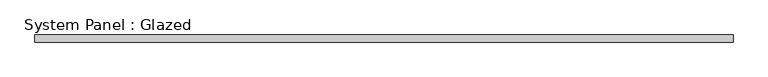
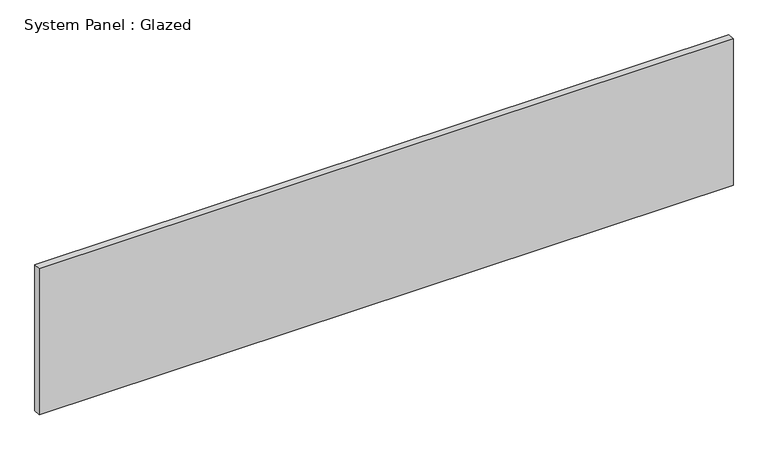
"""IFC4 building model written with IfcOpenShell, lengths in millimetres: plate geometry, System Panel : Glazed."""

from ifc_helpers import new_model, si_unit, origin, origin_with_axes, place, context, project, spatial, polyline, outline, extrude, source, transform, mapped, element, save


def system_panel_glazed_3f0fa894(model_context):
    return source(origin(), model_context, "Body", "SweptSolid", [
        extrude(outline(polyline([(1241.425, -12.7), (-1241.425, -12.7), (-1241.425, 12.7), (1241.425, 12.7), (1241.425, -12.7)])), origin_with_axes(), (0.0, 0.0, 1.0), 552.45),
    ])


if __name__ == "__main__":
    model = new_model("IFC4")
    model_context = context("Model", 3, world=origin())
    ifc_project = project(units=[si_unit("LENGTHUNIT", "METRE", prefix="MILLI")], contexts=[model_context])
    site = spatial("IfcSite", under=ifc_project)
    building = spatial("IfcBuilding", under=site)
    placement = place(None, origin())
    system_panel_glazed_shape = system_panel_glazed_3f0fa894(model_context)
    element("IfcPlate", 1, ObjectType="System Panel : Glazed", at=placement, inside=building, context=model_context, shape_type="MappedRepresentation", body=[
        mapped(system_panel_glazed_shape, transform((0.0, 0.0, 0.0), x_axis=(1.0, 0.0, 0.0), y_axis=(0.0, 1.0, 0.0), z_axis=(0.0, 0.0, 1.0))),
    ])
    save(model, "model.ifc")
